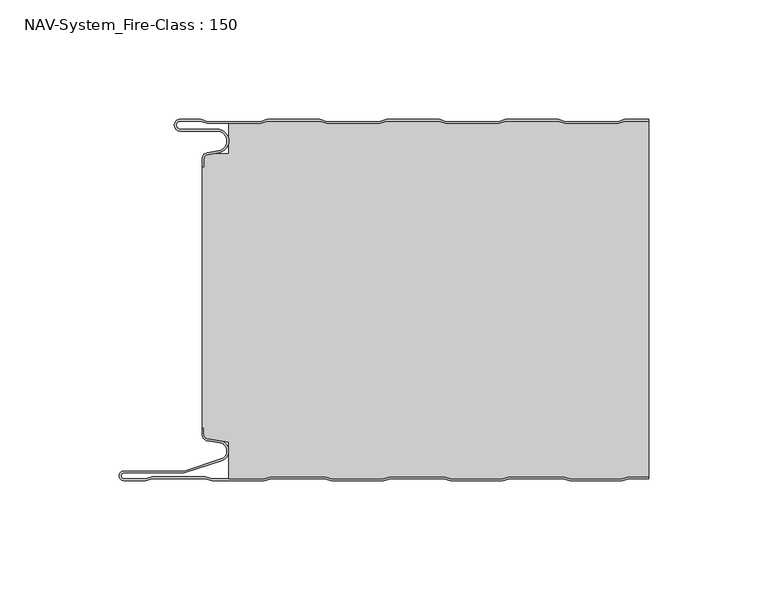
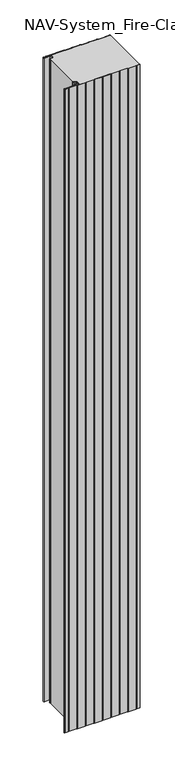
"""IFC4 building model written with IfcOpenShell, lengths in millimetres: plate geometry, NAV-System_Fire-Class : 150."""

from ifc_helpers import new_model, si_unit, frame, origin, place, context, project, spatial, polyline, circle_curve, source, transform, mapped, element, save
from ifc_brep_helpers import plane_surface, cylinder_surface, revolved_surface, advanced_brep


def nav_system_fire_class_150_6cf7bbdc(model_context):
    return source(origin(), model_context, "Body", "AdvancedBrep", [
        advanced_brep(
        [(-88.6298221, -0.8, 0.0), (-97.0000001, -0.8, 0.0), (-97.0000001, -4.1999999, 0.0), (-81.6002086, -4.1999999, 0.0), (-80.7423864, -14.0049502, 0.0), (-85.6125665, -14.8636946, 0.0), (-87.1000004, -16.6363494, 0.0), (-87.1000014, -19.9421291, 0.0), (-87.9000014, -19.9421291, 0.0), (-87.9000014, -16.6363484, 0.0), (-85.7514853, -14.0758488, 0.0), (-80.8813015, -13.217104, 0.0), (-81.600205, -4.9999999, 0.0), (-97.0000001, -4.9999999, 0.0), (-97.0000001, 0.0, 0.0), (-88.5, 0.0, 0.0), (-85.5, -1.0, 0.0), (-63.5, -1.0, 0.0), (-60.5, 0.0, 0.0), (-38.5, 0.0, 0.0), (-35.5, -1.0, 0.0), (-13.5, -1.0, 0.0), (-10.5, 0.0, 0.0), (11.5, 0.0, 0.0), (14.5, -1.0, 0.0), (36.5, -1.0, 0.0), (39.5, 0.0, 0.0), (61.5, 0.0, 0.0), (64.5, -1.0, 0.0), (86.5, -1.0, 0.0), (89.5, 0.0, 0.0), (99.5, 0.0, 0.0), (99.5, -0.8, 0.0), (89.6298221, -0.8, 0.0), (86.6298221, -1.8, 0.0), (64.3701779, -1.8, 0.0), (61.3701779, -0.8, 0.0), (39.6298221, -0.8, 0.0), (36.6298221, -1.8, 0.0), (14.3701779, -1.8, 0.0), (11.3701779, -0.8, 0.0), (-10.3701779, -0.8, 0.0), (-13.3701779, -1.8, 0.0), (-35.6298221, -1.8, 0.0), (-38.6298221, -0.8, 0.0), (-60.3701779, -0.8, 0.0), (-63.3701779, -1.8, 0.0), (-85.6298221, -1.8, 0.0), (-88.6298221, -0.8, 2000.0), (-85.6298221, -1.8, 2000.0), (-63.3701779, -1.8, 2000.0), (-60.3701779, -0.8, 2000.0), (-38.6298221, -0.8, 2000.0), (-35.6298221, -1.8, 2000.0), (-13.3701779, -1.8, 2000.0), (-10.3701779, -0.8, 2000.0), (11.3701779, -0.8, 2000.0), (14.3701779, -1.8, 2000.0), (36.6298221, -1.8, 2000.0), (39.6298221, -0.8, 2000.0), (61.3701779, -0.8, 2000.0), (64.3701779, -1.8, 2000.0), (86.6298221, -1.8, 2000.0), (89.6298221, -0.8, 2000.0), (99.5, -0.8, 2000.0), (99.5, 0.0, 2000.0), (89.5, 0.0, 2000.0), (86.5, -1.0, 2000.0), (64.5, -1.0, 2000.0), (61.5, 0.0, 2000.0), (39.5, 0.0, 2000.0), (36.5, -1.0, 2000.0), (14.5, -1.0, 2000.0), (11.5, 0.0, 2000.0), (-10.5, 0.0, 2000.0), (-13.5, -1.0, 2000.0), (-35.5, -1.0, 2000.0), (-38.5, 0.0, 2000.0), (-60.5, 0.0, 2000.0), (-63.5, -1.0, 2000.0), (-85.5, -1.0, 2000.0), (-88.5, 0.0, 2000.0), (-97.0000001, 0.0, 2000.0), (-97.0000001, -4.9999999, 2000.0), (-81.600205, -4.9999999, 2000.0), (-80.8813015, -13.217104, 2000.0), (-85.7514853, -14.0758488, 2000.0), (-87.8999997, -16.6363484, 2000.0), (-87.9000014, -19.9421291, 2000.0), (-87.1000014, -19.9421291, 2000.0), (-87.1000014, -16.6363494, 2000.0), (-85.6125665, -14.8636946, 2000.0), (-80.7423864, -14.0049502, 2000.0), (-81.6002086, -4.1999999, 2000.0), (-97.0000001, -4.1999999, 2000.0), (-97.0000001, -0.8000002, 2000.0)],
        [
            (0, 1),
            (1, 2, circle_curve(frame((-97.0000001, -2.5, 0.0), z_axis=(0.0, 0.0, 1.0), x_axis=(1.0, 0.0, 0.0)), 1.6999999)),
            (2, 3),
            (3, 4, circle_curve(frame((-81.6002086, -9.1399999, 0.0), z_axis=(0.0, 0.0, -1.0), x_axis=(1.0, 0.0, 0.0)), 4.94)),
            (4, 5),
            (5, 6, circle_curve(frame((-85.2999995, -16.6363494, 0.0), z_axis=(0.0, 0.0, 1.0), x_axis=(1.0, 0.0, 0.0)), 1.8000009)),
            (6, 7),
            (7, 8),
            (8, 9),
            (9, 10, circle_curve(frame((-85.3000002, -16.6363484, 0.0), z_axis=(0.0, 0.0, -1.0), x_axis=(1.0, 0.0, 0.0)), 2.5999995)),
            (10, 11),
            (11, 12, circle_curve(frame((-81.600205, -9.1399999, 0.0), z_axis=(0.0, 0.0, 1.0), x_axis=(1.0, 0.0, 0.0)), 4.14)),
            (12, 13),
            (13, 14, circle_curve(frame((-97.0000001, -2.4999999, 0.0), z_axis=(0.0, 0.0, -1.0), x_axis=(1.0, 0.0, 0.0)), 2.4999999)),
            (14, 15),
            (15, 16),
            (16, 17),
            (17, 18),
            (18, 19),
            (19, 20),
            (20, 21),
            (21, 22),
            (22, 23),
            (23, 24),
            (24, 25),
            (25, 26),
            (26, 27),
            (27, 28),
            (28, 29),
            (29, 30),
            (30, 31),
            (31, 32),
            (32, 33),
            (33, 34),
            (34, 35),
            (35, 36),
            (36, 37),
            (37, 38),
            (38, 39),
            (39, 40),
            (40, 41),
            (41, 42),
            (42, 43),
            (43, 44),
            (44, 45),
            (45, 46),
            (46, 47),
            (47, 0),
            (48, 49),
            (49, 50),
            (50, 51),
            (51, 52),
            (52, 53),
            (53, 54),
            (54, 55),
            (55, 56),
            (56, 57),
            (57, 58),
            (58, 59),
            (59, 60),
            (60, 61),
            (61, 62),
            (62, 63),
            (63, 64),
            (64, 65),
            (65, 66),
            (66, 67),
            (67, 68),
            (68, 69),
            (69, 70),
            (70, 71),
            (71, 72),
            (72, 73),
            (73, 74),
            (74, 75),
            (75, 76),
            (76, 77),
            (77, 78),
            (78, 79),
            (79, 80),
            (80, 81),
            (81, 82),
            (82, 83, circle_curve(frame((-97.0000001, -2.4999999, 2000.0), z_axis=(0.0, 0.0, 1.0), x_axis=(1.0, 0.0, 0.0)), 2.4999999)),
            (83, 84),
            (84, 85, circle_curve(frame((-81.600205, -9.1399999, 2000.0), z_axis=(0.0, 0.0, -1.0), x_axis=(1.0, 0.0, 0.0)), 4.14)),
            (85, 86),
            (86, 87, circle_curve(frame((-85.3000002, -16.6363484, 2000.0), z_axis=(0.0, 0.0, 1.0), x_axis=(1.0, 0.0, 0.0)), 2.5999995)),
            (87, 88),
            (88, 89),
            (89, 90),
            (90, 91, circle_curve(frame((-85.2999995, -16.6363494, 2000.0), z_axis=(0.0, 0.0, -1.0), x_axis=(1.0, 0.0, 0.0)), 1.8000009)),
            (91, 92),
            (92, 93, circle_curve(frame((-81.6002086, -9.1399999, 2000.0), z_axis=(0.0, 0.0, 1.0), x_axis=(1.0, 0.0, 0.0)), 4.94)),
            (93, 94),
            (94, 95, circle_curve(frame((-97.0000001, -2.5, 2000.0), z_axis=(0.0, 0.0, -1.0), x_axis=(1.0, 0.0, 0.0)), 1.6999999)),
            (95, 48),
            (0, 48),
            (95, 1),
            (14, 82),
            (81, 15),
            (63, 33),
            (32, 64),
            (62, 34),
            (61, 35),
            (60, 36),
            (59, 37),
            (58, 38),
            (57, 39),
            (56, 40),
            (55, 41),
            (54, 42),
            (53, 43),
            (52, 44),
            (51, 45),
            (50, 46),
            (49, 47),
            (80, 16),
            (79, 17),
            (78, 18),
            (77, 19),
            (76, 20),
            (75, 21),
            (74, 22),
            (73, 23),
            (72, 24),
            (71, 25),
            (70, 26),
            (69, 27),
            (68, 28),
            (67, 29),
            (66, 30),
            (65, 31),
            (2, 94),
            (93, 3),
            (6, 90),
            (89, 7),
            (88, 8),
            (87, 9),
            (12, 84),
            (83, 13),
            (92, 4),
            (91, 5),
            (86, 10),
            (85, 11),
        ],
        [
            plane_surface(frame((-99.5, 0.0, 0.0), z_axis=(0.0, 0.0, -1.0), x_axis=(0.0, -1.0, 0.0))),
            plane_surface(frame((-99.5, 0.0, 2000.0), z_axis=(0.0, 0.0, 1.0), x_axis=(0.0, -1.0, 0.0))),
            plane_surface(frame((-88.6298221, -0.8, 0.0), z_axis=(0.0, -1.0, 0.0), x_axis=(0.0, 0.0, 1.0))),
            plane_surface(frame((-97.0000001, 0.0, 0.0), z_axis=(0.0, 1.0, 0.0), x_axis=(0.0, 0.0, 1.0))),
            plane_surface(frame((111.3701779, -0.8, 0.0), z_axis=(0.0, -1.0, 0.0), x_axis=(0.0, 0.0, 1.0))),
            plane_surface(frame((89.6298221, -0.8, 0.0), z_axis=(0.3162277660167413, -0.9486832980505461, 0.0), x_axis=(0.0, 0.0, 1.0))),
            plane_surface(frame((86.6298221, -1.8, 0.0), z_axis=(0.0, -1.0, 0.0), x_axis=(0.0, 0.0, 1.0))),
            plane_surface(frame((64.3701779, -1.8, 0.0), z_axis=(-0.31622776601675356, -0.948683298050542, 0.0), x_axis=(0.0, 0.0, 1.0))),
            plane_surface(frame((61.3701779, -0.8, 0.0), z_axis=(0.0, -1.0, 0.0), x_axis=(0.0, 0.0, 1.0))),
            plane_surface(frame((39.6298221, -0.8, 0.0), z_axis=(0.31622776601679226, -0.9486832980505291, 0.0), x_axis=(0.0, 0.0, 1.0))),
            plane_surface(frame((36.6298221, -1.8, 0.0), z_axis=(0.0, -1.0, 0.0), x_axis=(0.0, 0.0, 1.0))),
            plane_surface(frame((14.3701779, -1.8, 0.0), z_axis=(-0.3162277660168045, -0.948683298050525, 0.0), x_axis=(0.0, 0.0, 1.0))),
            plane_surface(frame((11.3701779, -0.8, 0.0), z_axis=(0.0, -1.0, 0.0), x_axis=(0.0, 0.0, 1.0))),
            plane_surface(frame((-10.3701779, -0.8, 0.0), z_axis=(0.31622776601679226, -0.9486832980505291, 0.0), x_axis=(0.0, 0.0, 1.0))),
            plane_surface(frame((-13.3701779, -1.8, 0.0), z_axis=(0.0, -1.0, 0.0), x_axis=(0.0, 0.0, 1.0))),
            plane_surface(frame((-35.6298221, -1.8, 0.0), z_axis=(-0.3162277660168045, -0.948683298050525, 0.0), x_axis=(0.0, 0.0, 1.0))),
            plane_surface(frame((-38.6298221, -0.8, 0.0), z_axis=(0.0, -1.0, 0.0), x_axis=(0.0, 0.0, 1.0))),
            plane_surface(frame((-60.3701779, -0.8, 0.0), z_axis=(0.3162277660167413, -0.9486832980505461, 0.0), x_axis=(0.0, 0.0, 1.0))),
            plane_surface(frame((-63.3701779, -1.8, 0.0), z_axis=(0.0, -1.0, 0.0), x_axis=(0.0, 0.0, 1.0))),
            plane_surface(frame((-85.6298221, -1.8, 0.0), z_axis=(-0.3162277660167413, -0.9486832980505461, 0.0), x_axis=(0.0, 0.0, 1.0))),
            plane_surface(frame((-88.5, 0.0, 0.0), z_axis=(0.31622776601671865, 0.9486832980505536, 0.0), x_axis=(0.0, 0.0, 1.0))),
            plane_surface(frame((-85.5, -1.0, 0.0), z_axis=(0.0, 1.0, 0.0), x_axis=(0.0, 0.0, 1.0))),
            plane_surface(frame((-63.5, -1.0, 0.0), z_axis=(-0.31622776601671865, 0.9486832980505536, 0.0), x_axis=(0.0, 0.0, 1.0))),
            plane_surface(frame((-60.5, 0.0, 0.0), z_axis=(0.0, 1.0, 0.0), x_axis=(0.0, 0.0, 1.0))),
            plane_surface(frame((-38.5, 0.0, 0.0), z_axis=(0.31622776601678754, 0.9486832980505306, 0.0), x_axis=(0.0, 0.0, 1.0))),
            plane_surface(frame((-35.5, -1.0, 0.0), z_axis=(0.0, 1.0, 0.0), x_axis=(0.0, 0.0, 1.0))),
            plane_surface(frame((-13.5, -1.0, 0.0), z_axis=(-0.3162277660167752, 0.9486832980505348, 0.0), x_axis=(0.0, 0.0, 1.0))),
            plane_surface(frame((-10.5, 0.0, 0.0), z_axis=(0.0, 1.0, 0.0), x_axis=(0.0, 0.0, 1.0))),
            plane_surface(frame((11.5, 0.0, 0.0), z_axis=(0.31622776601678754, 0.9486832980505306, 0.0), x_axis=(0.0, 0.0, 1.0))),
            plane_surface(frame((14.5, -1.0, 0.0), z_axis=(0.0, 1.0, 0.0), x_axis=(0.0, 0.0, 1.0))),
            plane_surface(frame((36.5, -1.0, 0.0), z_axis=(-0.3162277660167752, 0.9486832980505348, 0.0), x_axis=(0.0, 0.0, 1.0))),
            plane_surface(frame((39.5, 0.0, 0.0), z_axis=(0.0, 1.0, 0.0), x_axis=(0.0, 0.0, 1.0))),
            plane_surface(frame((61.5, 0.0, 0.0), z_axis=(0.3162277660167309, 0.9486832980505495, 0.0), x_axis=(0.0, 0.0, 1.0))),
            plane_surface(frame((64.5, -1.0, 0.0), z_axis=(0.0, 1.0, 0.0), x_axis=(0.0, 0.0, 1.0))),
            plane_surface(frame((86.5, -1.0, 0.0), z_axis=(-0.31622776601671865, 0.9486832980505536, 0.0), x_axis=(0.0, 0.0, 1.0))),
            plane_surface(frame((89.5, 0.0, 0.0), z_axis=(0.0, 1.0, 0.0), x_axis=(0.0, 0.0, 1.0))),
            plane_surface(frame((-97.0000001, -4.1999999, 0.0), z_axis=(0.0, 1.0, 0.0), x_axis=(0.0, 0.0, 1.0))),
            plane_surface(frame((-87.1000014, -16.6363494, 0.0), z_axis=(1.0, 0.0, 0.0), x_axis=(0.0, 0.0, 1.0))),
            plane_surface(frame((-87.1000014, -19.9421291, 0.0), z_axis=(0.0, -1.0, 0.0), x_axis=(0.0, 0.0, 1.0))),
            plane_surface(frame((-87.9000014, -19.9421291, 0.0), z_axis=(-1.0, 0.0, 0.0), x_axis=(0.0, 0.0, 1.0))),
            plane_surface(frame((-81.600205, -4.9999999, 0.0), z_axis=(0.0, -1.0, 0.0), x_axis=(0.0, 0.0, 1.0))),
            revolved_surface(polyline([(-95.3000002, -2.5, 2000.0), (-95.3000002, -2.5, 0.0)]), (-97.0000001, -2.5, 0.0), (0.0, 0.0, 1.0)),
            cylinder_surface(frame((-81.6002086, -9.1399999, 0.0), z_axis=(0.0, 0.0, -1.0), x_axis=(1.0, 0.0, 0.0)), 4.94),
            plane_surface(frame((-80.7423864, -14.0049502, 0.0), z_axis=(0.17364822279076972, -0.9848077450556567, 0.0), x_axis=(0.0, 0.0, 1.0))),
            revolved_surface(polyline([(-83.4999986, -16.6363494, 2000.0), (-83.4999986, -16.6363494, 0.0)]), (-85.2999995, -16.6363494, 0.0), (0.0, 0.0, 1.0)),
            cylinder_surface(frame((-85.3000002, -16.6363484, 0.0), z_axis=(0.0, 0.0, -1.0), x_axis=(1.0, 0.0, 0.0)), 2.5999995),
            plane_surface(frame((-85.7514853, -14.0758488, 0.0), z_axis=(-0.17364817295915452, 0.984807753842316, 0.0), x_axis=(0.0, 0.0, 1.0))),
            revolved_surface(polyline([(-77.460205, -9.1399999, 2000.0), (-77.460205, -9.1399999, 0.0)]), (-81.600205, -9.1399999, 0.0), (0.0, 0.0, 1.0)),
            cylinder_surface(frame((-97.0000001, -2.4999999, 0.0), z_axis=(0.0, 0.0, -1.0), x_axis=(1.0, 0.0, 0.0)), 2.4999999),
            plane_surface(frame((99.5, 100.0, 2000.0), z_axis=(1.0, 0.0, 0.0), x_axis=(0.0, 0.0, -1.0))),
        ],
        [
            (0, [[1, 2, 3, 4, 5, 6, 7, 8, 9, 10, 11, 12, 13, 14, 15, 16, 17, 18, 19, 20, 21, 22, 23, 24, 25, 26, 27, 28, 29, 30, 31, 32, 33, 34, 35, 36, 37, 38, 39, 40, 41, 42, 43, 44, 45, 46, 47, 48]]),
            (1, [[49, 50, 51, 52, 53, 54, 55, 56, 57, 58, 59, 60, 61, 62, 63, 64, 65, 66, 67, 68, 69, 70, 71, 72, 73, 74, 75, 76, 77, 78, 79, 80, 81, 82, 83, 84, 85, 86, 87, 88, 89, 90, 91, 92, 93, 94, 95, 96]]),
            (2, [[-1, 97, -96, 98]]),
            (3, [[-15, 99, -82, 100]]),
            (4, [[101, -33, 102, -64]]),
            (5, [[-34, -101, -63, 103]]),
            (6, [[-35, -103, -62, 104]]),
            (7, [[-36, -104, -61, 105]]),
            (8, [[-37, -105, -60, 106]]),
            (9, [[-38, -106, -59, 107]]),
            (10, [[-39, -107, -58, 108]]),
            (11, [[-40, -108, -57, 109]]),
            (12, [[-41, -109, -56, 110]]),
            (13, [[-42, -110, -55, 111]]),
            (14, [[-43, -111, -54, 112]]),
            (15, [[-44, -112, -53, 113]]),
            (16, [[-45, -113, -52, 114]]),
            (17, [[-46, -114, -51, 115]]),
            (18, [[-47, -115, -50, 116]]),
            (19, [[-48, -116, -49, -97]]),
            (20, [[-16, -100, -81, 117]]),
            (21, [[-17, -117, -80, 118]]),
            (22, [[-18, -118, -79, 119]]),
            (23, [[-19, -119, -78, 120]]),
            (24, [[-20, -120, -77, 121]]),
            (25, [[-21, -121, -76, 122]]),
            (26, [[-22, -122, -75, 123]]),
            (27, [[-23, -123, -74, 124]]),
            (28, [[-24, -124, -73, 125]]),
            (29, [[-25, -125, -72, 126]]),
            (30, [[-26, -126, -71, 127]]),
            (31, [[-27, -127, -70, 128]]),
            (32, [[-28, -128, -69, 129]]),
            (33, [[-29, -129, -68, 130]]),
            (34, [[-30, -130, -67, 131]]),
            (35, [[-131, -66, 132, -31]]),
            (36, [[-3, 133, -94, 134]]),
            (37, [[-7, 135, -90, 136]]),
            (38, [[-8, -136, -89, 137]]),
            (39, [[-9, -137, -88, 138]]),
            (40, [[-13, 139, -84, 140]]),
            (41, [[-2, -98, -95, -133]]),
            (42, [[-4, -134, -93, 141]]),
            (43, [[-5, -141, -92, 142]]),
            (44, [[-6, -142, -91, -135]]),
            (45, [[-10, -138, -87, 143]]),
            (46, [[-11, -143, -86, 144]]),
            (47, [[-12, -144, -85, -139]]),
            (48, [[-14, -140, -83, -99]]),
            (49, [[-32, -132, -65, -102]]),
        ],
    ),
        advanced_brep(
        [(89.6181262, -0.8, 2000.0), (86.6181262, -1.8, 2000.0), (64.3584819, -1.8, 2000.0), (61.3584819, -0.8, 2000.0), (39.6181262, -0.8, 2000.0), (36.6181262, -1.8, 2000.0), (14.3584819, -1.8, 2000.0), (11.3584819, -0.8, 2000.0), (-10.3818738, -0.8, 2000.0), (-13.3818738, -1.8, 2000.0), (-35.6415181, -1.8, 2000.0), (-38.6415181, -0.8, 2000.0), (-60.3818738, -0.8, 2000.0), (-63.3818738, -1.8, 2000.0), (-76.6719045, -1.8, 2000.0), (-76.6719045, -14.4343223, 2000.0), (-83.1891722, -14.4343223, 2000.0), (-85.6242625, -14.8636946, 2000.0), (-87.1116964, -16.636349, 2000.0), (-87.1116974, -19.9512003, 2000.0), (-87.9116974, -19.9512003, 2000.0), (-87.9116974, -129.3983656, 2000.0), (-87.1116974, -129.3983656, 2000.0), (-87.1116974, -132.1656409, 2000.0), (-85.4245663, -134.1410176, 2000.0), (-76.6248082, -135.5347623, 2000.0), (-76.6248082, -150.8, 2000.0), (-61.8218295, -150.8, 2000.0), (-58.7610803, -150.0, 2000.0), (-36.5891849, -150.0, 2000.0), (-33.5284357, -150.8, 2000.0), (-11.8218295, -150.8, 2000.0), (-8.7610803, -150.0, 2000.0), (13.4108151, -150.0, 2000.0), (16.4715643, -150.8, 2000.0), (38.1904, -150.8, 2000.0), (41.2511493, -150.0, 2000.0), (63.4108151, -150.0, 2000.0), (66.4715643, -150.8, 2000.0), (88.1781705, -150.8, 2000.0), (91.2389197, -150.0, 2000.0), (99.5, -150.0, 2000.0), (99.5, -0.8, 2000.0), (91.2389197, -150.0, 0.0), (88.1781705, -150.8, 0.0), (66.4715643, -150.8, 0.0), (63.4108151, -150.0, 0.0), (41.2511493, -150.0, 0.0), (38.1904, -150.8, 0.0), (16.4715643, -150.8, 0.0), (13.4108151, -150.0, 0.0), (-8.7610803, -150.0, 0.0), (-11.8218295, -150.8, 0.0), (-33.5284357, -150.8, 0.0), (-36.5891849, -150.0, 0.0), (-58.7610803, -150.0, 0.0), (-61.8218295, -150.8, 0.0), (-76.6248082, -150.8, 0.0), (-76.6248082, -135.5347623, 0.0), (-85.4245663, -134.1410176, 0.0), (-87.1116974, -132.1656409, 0.0), (-87.1116974, -129.3983656, 0.0), (-87.9116974, -129.3983656, 0.0), (-87.9116974, -19.9512003, 0.0), (-87.1116974, -19.9512003, 0.0), (-87.1116974, -16.636349, 0.0), (-85.6242625, -14.8636946, 0.0), (-83.1891722, -14.4343223, 0.0), (-76.6719045, -14.4343223, 0.0), (-76.6719045, -1.8, 0.0), (-63.3818738, -1.8, 0.0), (-60.3818738, -0.8, 0.0), (-38.6415181, -0.8, 0.0), (-35.6415181, -1.8, 0.0), (-13.3818738, -1.8, 0.0), (-10.3818738, -0.8, 0.0), (11.3584819, -0.8, 0.0), (14.3584819, -1.8, 0.0), (36.6181262, -1.8, 0.0), (39.6181262, -0.8, 0.0), (61.3584819, -0.8, 0.0), (64.3584819, -1.8, 0.0), (86.6181262, -1.8, 0.0), (89.6181262, -0.8, 0.0), (99.5, -0.8, 0.0), (99.5, -150.0, 0.0)],
        [
            (0, 1),
            (1, 2),
            (2, 3),
            (3, 4),
            (4, 5),
            (5, 6),
            (6, 7),
            (7, 8),
            (8, 9),
            (9, 10),
            (10, 11),
            (11, 12),
            (12, 13),
            (13, 14),
            (14, 15),
            (15, 16),
            (16, 17),
            (17, 18, circle_curve(frame((-85.3116955, -16.6363494, 2000.0), z_axis=(0.0, 0.0, 1.0), x_axis=(1.0, 0.0, 0.0)), 1.8000009)),
            (18, 19),
            (19, 20),
            (20, 21),
            (21, 22),
            (22, 23),
            (23, 24, circle_curve(frame((-85.1116974, -132.1656409, 2000.0), z_axis=(0.0, 0.0, 1.0), x_axis=(1.0, 0.0, 0.0)), 2.0)),
            (24, 25),
            (25, 26),
            (26, 27),
            (27, 28),
            (28, 29),
            (29, 30),
            (30, 31),
            (31, 32),
            (32, 33),
            (33, 34),
            (34, 35),
            (35, 36),
            (36, 37),
            (37, 38),
            (38, 39),
            (39, 40),
            (40, 41),
            (41, 42),
            (42, 0),
            (43, 44),
            (44, 45),
            (45, 46),
            (46, 47),
            (47, 48),
            (48, 49),
            (49, 50),
            (50, 51),
            (51, 52),
            (52, 53),
            (53, 54),
            (54, 55),
            (55, 56),
            (56, 57),
            (57, 58),
            (58, 59),
            (59, 60, circle_curve(frame((-85.1116974, -132.1656409, 0.0), z_axis=(0.0, 0.0, -1.0), x_axis=(1.0, 0.0, 0.0)), 2.0)),
            (60, 61),
            (61, 62),
            (62, 63),
            (63, 64),
            (64, 65),
            (65, 66, circle_curve(frame((-85.3116955, -16.6363494, 0.0), z_axis=(0.0, 0.0, -1.0), x_axis=(1.0, 0.0, 0.0)), 1.8000009)),
            (66, 67),
            (67, 68),
            (68, 69),
            (69, 70),
            (70, 71),
            (71, 72),
            (72, 73),
            (73, 74),
            (74, 75),
            (75, 76),
            (76, 77),
            (77, 78),
            (78, 79),
            (79, 80),
            (80, 81),
            (81, 82),
            (82, 83),
            (83, 84),
            (84, 85),
            (85, 43),
            (83, 0),
            (42, 84),
            (82, 1),
            (81, 2),
            (80, 3),
            (79, 4),
            (78, 5),
            (77, 6),
            (76, 7),
            (75, 8),
            (74, 9),
            (73, 10),
            (72, 11),
            (71, 12),
            (70, 13),
            (69, 14),
            (68, 15),
            (67, 16),
            (66, 17),
            (65, 18),
            (64, 19),
            (63, 20),
            (62, 21),
            (61, 22),
            (60, 23),
            (59, 24),
            (58, 25),
            (57, 26),
            (56, 27),
            (55, 28),
            (54, 29),
            (53, 30),
            (52, 31),
            (51, 32),
            (50, 33),
            (49, 34),
            (48, 35),
            (47, 36),
            (46, 37),
            (45, 38),
            (44, 39),
            (43, 40),
            (85, 41),
        ],
        [
            plane_surface(frame((-99.5, 0.0, 2000.0), z_axis=(0.0, 0.0, 1.0), x_axis=(0.0, -1.0, 0.0))),
            plane_surface(frame((-99.5, 0.0, 0.0), z_axis=(0.0, 0.0, -1.0), x_axis=(0.0, -1.0, 0.0))),
            plane_surface(frame((111.3584819, -0.8, 2000.0), z_axis=(0.0, 1.0, 0.0), x_axis=(0.0, 0.0, -1.0))),
            plane_surface(frame((89.6181262, -0.8, 2000.0), z_axis=(-0.31622776601684405, 0.9486832980505119, 0.0), x_axis=(0.0, 0.0, -1.0))),
            plane_surface(frame((86.6181262, -1.8, 2000.0), z_axis=(0.0, 1.0, 0.0), x_axis=(0.0, 0.0, -1.0))),
            plane_surface(frame((64.3584819, -1.8, 2000.0), z_axis=(0.3162277660164755, 0.9486832980506347, 0.0), x_axis=(0.0, 0.0, -1.0))),
            plane_surface(frame((61.3584819, -0.8, 2000.0), z_axis=(0.0, 1.0, 0.0), x_axis=(0.0, 0.0, -1.0))),
            plane_surface(frame((39.6181262, -0.8, 2000.0), z_axis=(-0.3162277660169692, 0.94868329805047, 0.0), x_axis=(0.0, 0.0, -1.0))),
            plane_surface(frame((36.6181262, -1.8, 2000.0), z_axis=(0.0, 1.0, 0.0), x_axis=(0.0, 0.0, -1.0))),
            plane_surface(frame((14.3584819, -1.8, 2000.0), z_axis=(0.31622776601655256, 0.948683298050609, 0.0), x_axis=(0.0, 0.0, -1.0))),
            plane_surface(frame((11.3584819, -0.8, 2000.0), z_axis=(0.0, 1.0, 0.0), x_axis=(0.0, 0.0, -1.0))),
            plane_surface(frame((-10.3818738, -0.8, 2000.0), z_axis=(-0.31622776601696284, 0.9486832980504722, 0.0), x_axis=(0.0, 0.0, -1.0))),
            plane_surface(frame((-13.3818738, -1.8, 2000.0), z_axis=(0.0, 1.0, 0.0), x_axis=(0.0, 0.0, -1.0))),
            plane_surface(frame((-35.6415181, -1.8, 2000.0), z_axis=(0.31622776601661995, 0.9486832980505865, 0.0), x_axis=(0.0, 0.0, -1.0))),
            plane_surface(frame((-38.6415181, -0.8, 2000.0), z_axis=(0.0, 1.0, 0.0), x_axis=(0.0, 0.0, -1.0))),
            plane_surface(frame((-60.3818738, -0.8, 2000.0), z_axis=(-0.3162277660168055, 0.9486832980505246, 0.0), x_axis=(0.0, 0.0, -1.0))),
            plane_surface(frame((-63.3818738, -1.8, 2000.0), z_axis=(0.0, 1.0, 0.0), x_axis=(0.0, 0.0, -1.0))),
            plane_surface(frame((-76.6719045, -1.8, 2000.0), z_axis=(-1.0, 0.0, 0.0), x_axis=(0.0, 0.0, -1.0))),
            plane_surface(frame((-76.6719045, -14.4343223, 2000.0), z_axis=(0.0, 1.0, 0.0), x_axis=(0.0, 0.0, -1.0))),
            plane_surface(frame((-83.1891722, -14.4343223, 2000.0), z_axis=(-0.17364822279077605, 0.9848077450556556, 0.0), x_axis=(0.0, 0.0, -1.0))),
            cylinder_surface(frame((-85.3116955, -16.6363494, 2000.0), z_axis=(0.0, 0.0, 1.0), x_axis=(1.0, 0.0, 0.0)), 1.8000009),
            plane_surface(frame((-87.1116974, -16.636349, 2000.0), z_axis=(-1.0, 0.0, 0.0), x_axis=(0.0, 0.0, -1.0))),
            plane_surface(frame((-87.1116974, -19.9512003, 2000.0), z_axis=(0.0, 1.0, 0.0), x_axis=(0.0, 0.0, -1.0))),
            plane_surface(frame((-87.9116974, -19.9512003, 2000.0), z_axis=(-1.0, 0.0, 0.0), x_axis=(0.0, 0.0, -1.0))),
            plane_surface(frame((-87.9116974, -129.3983656, 2000.0), z_axis=(0.0, -1.0, 0.0), x_axis=(0.0, 0.0, -1.0))),
            plane_surface(frame((-87.1116974, -129.3983656, 2000.0), z_axis=(-1.0, 0.0, 0.0), x_axis=(0.0, 0.0, -1.0))),
            cylinder_surface(frame((-85.1116974, -132.1656409, 2000.0), z_axis=(0.0, 0.0, 1.0), x_axis=(1.0, 0.0, 0.0)), 2.0),
            plane_surface(frame((-85.4245663, -134.1410176, 2000.0), z_axis=(-0.15643446503999625, -0.987688340595175, 0.0), x_axis=(0.0, 0.0, -1.0))),
            plane_surface(frame((-76.6248082, -135.5347623, 2000.0), z_axis=(-1.0, 0.0, 0.0), x_axis=(0.0, 0.0, -1.0))),
            plane_surface(frame((-76.6248082, -150.8, 2000.0), z_axis=(0.0, -1.0, 0.0), x_axis=(0.0, 0.0, -1.0))),
            plane_surface(frame((-61.8218295, -150.8, 2000.0), z_axis=(0.2528787310081783, -0.9674979831522613, 0.0), x_axis=(0.0, 0.0, -1.0))),
            plane_surface(frame((-58.7610803, -150.0, 2000.0), z_axis=(0.0, -1.0, 0.0), x_axis=(0.0, 0.0, -1.0))),
            plane_surface(frame((-36.5891849, -150.0, 2000.0), z_axis=(-0.25287873100938985, -0.9674979831519447, 0.0), x_axis=(0.0, 0.0, -1.0))),
            plane_surface(frame((-33.5284357, -150.8, 2000.0), z_axis=(0.0, -1.0, 0.0), x_axis=(0.0, 0.0, -1.0))),
            plane_surface(frame((-11.8218295, -150.8, 2000.0), z_axis=(0.2528787310082863, -0.9674979831522332, 0.0), x_axis=(0.0, 0.0, -1.0))),
            plane_surface(frame((-8.7610803, -150.0, 2000.0), z_axis=(0.0, -1.0, 0.0), x_axis=(0.0, 0.0, -1.0))),
            plane_surface(frame((13.4108151, -150.0, 2000.0), z_axis=(-0.25287873100843145, -0.9674979831521953, 0.0), x_axis=(0.0, 0.0, -1.0))),
            plane_surface(frame((16.4715643, -150.8, 2000.0), z_axis=(0.0, -1.0, 0.0), x_axis=(0.0, 0.0, -1.0))),
            plane_surface(frame((38.1904, -150.8, 2000.0), z_axis=(0.2528787310081133, -0.9674979831522784, 0.0), x_axis=(0.0, 0.0, -1.0))),
            plane_surface(frame((41.2511493, -150.0, 2000.0), z_axis=(0.0, -1.0, 0.0), x_axis=(0.0, 0.0, -1.0))),
            plane_surface(frame((63.4108151, -150.0, 2000.0), z_axis=(-0.25287873100834907, -0.9674979831522168, 0.0), x_axis=(0.0, 0.0, -1.0))),
            plane_surface(frame((66.4715643, -150.8, 2000.0), z_axis=(0.0, -1.0, 0.0), x_axis=(0.0, 0.0, -1.0))),
            plane_surface(frame((88.1781705, -150.8, 2000.0), z_axis=(0.2528787310082685, -0.9674979831522379, 0.0), x_axis=(0.0, 0.0, -1.0))),
            plane_surface(frame((91.2389197, -150.0, 2000.0), z_axis=(0.0, -1.0, 0.0), x_axis=(0.0, 0.0, -1.0))),
            plane_surface(frame((99.5, 100.0, 2000.0), z_axis=(1.0, 0.0, 0.0), x_axis=(0.0, 0.0, -1.0))),
        ],
        [
            (0, [[1, 2, 3, 4, 5, 6, 7, 8, 9, 10, 11, 12, 13, 14, 15, 16, 17, 18, 19, 20, 21, 22, 23, 24, 25, 26, 27, 28, 29, 30, 31, 32, 33, 34, 35, 36, 37, 38, 39, 40, 41, 42, 43]]),
            (1, [[44, 45, 46, 47, 48, 49, 50, 51, 52, 53, 54, 55, 56, 57, 58, 59, 60, 61, 62, 63, 64, 65, 66, 67, 68, 69, 70, 71, 72, 73, 74, 75, 76, 77, 78, 79, 80, 81, 82, 83, 84, 85, 86]]),
            (2, [[87, -43, 88, -84]]),
            (3, [[-1, -87, -83, 89]]),
            (4, [[-2, -89, -82, 90]]),
            (5, [[-3, -90, -81, 91]]),
            (6, [[-4, -91, -80, 92]]),
            (7, [[-5, -92, -79, 93]]),
            (8, [[-6, -93, -78, 94]]),
            (9, [[-7, -94, -77, 95]]),
            (10, [[-8, -95, -76, 96]]),
            (11, [[-9, -96, -75, 97]]),
            (12, [[-10, -97, -74, 98]]),
            (13, [[-11, -98, -73, 99]]),
            (14, [[-12, -99, -72, 100]]),
            (15, [[-13, -100, -71, 101]]),
            (16, [[-14, -101, -70, 102]]),
            (17, [[-15, -102, -69, 103]]),
            (18, [[-16, -103, -68, 104]]),
            (19, [[-17, -104, -67, 105]]),
            (20, [[-18, -105, -66, 106]]),
            (21, [[-19, -106, -65, 107]]),
            (22, [[-20, -107, -64, 108]]),
            (23, [[-21, -108, -63, 109]]),
            (24, [[-22, -109, -62, 110]]),
            (25, [[-23, -110, -61, 111]]),
            (26, [[-24, -111, -60, 112]]),
            (27, [[-25, -112, -59, 113]]),
            (28, [[-26, -113, -58, 114]]),
            (29, [[-27, -114, -57, 115]]),
            (30, [[-28, -115, -56, 116]]),
            (31, [[-29, -116, -55, 117]]),
            (32, [[-30, -117, -54, 118]]),
            (33, [[-31, -118, -53, 119]]),
            (34, [[-32, -119, -52, 120]]),
            (35, [[-33, -120, -51, 121]]),
            (36, [[-34, -121, -50, 122]]),
            (37, [[-35, -122, -49, 123]]),
            (38, [[-36, -123, -48, 124]]),
            (39, [[-37, -124, -47, 125]]),
            (40, [[-38, -125, -46, 126]]),
            (41, [[-39, -126, -45, 127]]),
            (42, [[-40, -127, -44, 128]]),
            (43, [[-128, -86, 129, -41]]),
            (44, [[-42, -129, -85, -88]]),
        ],
    ),
        advanced_brep(
        [(91.239397, -150.0, 2000.0), (88.1786477, -150.8, 2000.0), (66.4720416, -150.8, 2000.0), (63.4112923, -150.0, 2000.0), (41.2516265, -150.0, 2000.0), (38.1908772, -150.8, 2000.0), (16.4720416, -150.8, 2000.0), (13.4112923, -150.0, 2000.0), (-8.760603, -150.0, 2000.0), (-11.8213523, -150.8, 2000.0), (-33.5279584, -150.8, 2000.0), (-36.5887077, -150.0, 2000.0), (-58.760603, -150.0, 2000.0), (-61.8213523, -150.8, 2000.0), (-83.5279584, -150.8, 2000.0), (-86.5887077, -150.0, 2000.0), (-108.760603, -150.0, 2000.0), (-111.8190206, -150.7993906, 2000.0), (-120.7154182, -150.7993906, 2000.0), (-120.6771783, -148.4000003, 2000.0), (-95.3414726, -148.4000003, 2000.0), (-79.6231923, -143.2926893, 2000.0), (-80.2358126, -134.9629887, 2000.0), (-85.4240891, -134.1412465, 2000.0), (-87.1112201, -132.1658698, 2000.0), (-87.1112201, -129.3985945, 2000.0), (-87.9112201, -129.3985945, 2000.0), (-87.9112201, -132.1658698, 2000.0), (-85.5140582, -134.93674, 2000.0), (-80.4044746, -135.7460185, 2000.0), (-79.8704103, -142.5316172, 2000.0), (-95.4681798, -147.6000003, 2000.0), (-120.6771783, -147.6000003, 2000.0), (-120.726556, -151.5993906, 2000.0), (-111.7161981, -151.5993906, 2000.0), (-108.6577806, -150.8, 2000.0), (-86.6915302, -150.8, 2000.0), (-83.6307809, -151.6, 2000.0), (-61.7185298, -151.6, 2000.0), (-58.6577806, -150.8, 2000.0), (-36.6915302, -150.8, 2000.0), (-33.6307809, -151.6, 2000.0), (-11.7185298, -151.6, 2000.0), (-8.6577806, -150.8, 2000.0), (13.3084698, -150.8, 2000.0), (16.3692191, -151.6, 2000.0), (38.2936997, -151.6, 2000.0), (41.354449, -150.8, 2000.0), (63.3084698, -150.8, 2000.0), (66.3692191, -151.6, 2000.0), (88.2814702, -151.6, 2000.0), (91.3422194, -150.8, 2000.0), (99.5, -150.8, 2000.0), (99.5, -150.0, 2000.0), (91.3422194, -150.8, 0.0), (88.2814702, -151.6, 0.0), (66.3692191, -151.6, 0.0), (63.3084698, -150.8, 0.0), (41.354449, -150.8, 0.0), (38.2936997, -151.6, 0.0), (16.3692191, -151.6, 0.0), (13.3084698, -150.8, 0.0), (-8.6577806, -150.8, 0.0), (-11.7185298, -151.6, 0.0), (-33.6307809, -151.6, 0.0), (-36.6915302, -150.8, 0.0), (-58.6577806, -150.8, 0.0), (-61.7185298, -151.6, 0.0), (-83.6307809, -151.6, 0.0), (-86.6915302, -150.8, 0.0), (-108.6577806, -150.8, 0.0), (-111.7161981, -151.5993906, 0.0), (-120.726556, -151.5993906, 0.0), (-120.6771783, -147.6000003, 0.0), (-95.4681798, -147.6000003, 0.0), (-79.8704103, -142.5318461, 0.0), (-80.4044746, -135.7460185, 0.0), (-85.5140582, -134.93674, 0.0), (-87.9112201, -132.1658698, 0.0), (-87.9112201, -129.3985945, 0.0), (-87.1112201, -129.3985945, 0.0), (-87.1112201, -132.1658698, 0.0), (-85.4240891, -134.1412465, 0.0), (-80.2358126, -134.9629887, 0.0), (-79.6231923, -143.2924604, 0.0), (-95.3414726, -148.4000003, 0.0), (-120.6771783, -148.4000003, 0.0), (-120.7154182, -150.7993906, 0.0), (-111.8190206, -150.7993906, 0.0), (-108.760603, -150.0, 0.0), (-86.5887077, -150.0, 0.0), (-83.5279584, -150.8, 0.0), (-61.8213523, -150.8, 0.0), (-58.760603, -150.0, 0.0), (-36.5887077, -150.0, 0.0), (-33.5279584, -150.8, 0.0), (-11.8213523, -150.8, 0.0), (-8.760603, -150.0, 0.0), (13.4112923, -150.0, 0.0), (16.4720416, -150.8, 0.0), (38.1908772, -150.8, 0.0), (41.2516265, -150.0, 0.0), (63.4112923, -150.0, 0.0), (66.4720416, -150.8, 0.0), (88.1786477, -150.8, 0.0), (91.239397, -150.0, 0.0), (99.5, -150.0, 0.0), (99.5, -150.8, 0.0)],
        [
            (0, 1),
            (1, 2),
            (2, 3),
            (3, 4),
            (4, 5),
            (5, 6),
            (6, 7),
            (7, 8),
            (8, 9),
            (9, 10),
            (10, 11),
            (11, 12),
            (12, 13),
            (13, 14),
            (14, 15),
            (15, 16),
            (16, 17),
            (17, 18),
            (18, 19, circle_curve(frame((-120.6771783, -149.6000001, 2000.0), z_axis=(0.0, 0.0, -1.0), x_axis=(1.0, 0.0, 0.0)), 1.1999999)),
            (19, 20),
            (20, 21),
            (21, 22, circle_curve(frame((-80.9519964, -139.2029275, 2000.0), z_axis=(0.0, 0.0, 1.0), x_axis=(1.0, 0.0, 0.0)), 4.3)),
            (22, 23),
            (23, 24, circle_curve(frame((-85.1112201, -132.1658698, 2000.0), z_axis=(0.0, 0.0, -1.0), x_axis=(1.0, 0.0, 0.0)), 2.0)),
            (24, 25),
            (25, 26),
            (26, 27),
            (27, 28, circle_curve(frame((-85.1112201, -132.1658698, 2000.0), z_axis=(0.0, 0.0, 1.0), x_axis=(1.0, 0.0, 0.0)), 2.8)),
            (28, 29),
            (29, 30, circle_curve(frame((-80.9519952, -139.2029277, 2000.0), z_axis=(0.0, 0.0, -1.0), x_axis=(1.0, 0.0, 0.0)), 3.5)),
            (30, 31),
            (31, 32),
            (32, 33, circle_curve(frame((-120.6771783, -149.6000003, 2000.0), z_axis=(0.0, 0.0, 1.0), x_axis=(1.0, 0.0, 0.0)), 1.9999999)),
            (33, 34),
            (34, 35),
            (35, 36),
            (36, 37),
            (37, 38),
            (38, 39),
            (39, 40),
            (40, 41),
            (41, 42),
            (42, 43),
            (43, 44),
            (44, 45),
            (45, 46),
            (46, 47),
            (47, 48),
            (48, 49),
            (49, 50),
            (50, 51),
            (51, 52),
            (52, 53),
            (53, 0),
            (54, 55),
            (55, 56),
            (56, 57),
            (57, 58),
            (58, 59),
            (59, 60),
            (60, 61),
            (61, 62),
            (62, 63),
            (63, 64),
            (64, 65),
            (65, 66),
            (66, 67),
            (67, 68),
            (68, 69),
            (69, 70),
            (70, 71),
            (71, 72),
            (72, 73, circle_curve(frame((-120.6771783, -149.6000003, 0.0), z_axis=(0.0, 0.0, -1.0), x_axis=(1.0, 0.0, 0.0)), 1.9999999)),
            (73, 74),
            (74, 75),
            (75, 76, circle_curve(frame((-80.9519952, -139.2029277, 0.0), z_axis=(0.0, 0.0, 1.0), x_axis=(1.0, 0.0, 0.0)), 3.5)),
            (76, 77),
            (77, 78, circle_curve(frame((-85.1112201, -132.1658698, 0.0), z_axis=(0.0, 0.0, -1.0), x_axis=(1.0, 0.0, 0.0)), 2.8)),
            (78, 79),
            (79, 80),
            (80, 81),
            (81, 82, circle_curve(frame((-85.1112201, -132.1658698, 0.0), z_axis=(0.0, 0.0, 1.0), x_axis=(1.0, 0.0, 0.0)), 2.0)),
            (82, 83),
            (83, 84, circle_curve(frame((-80.9519964, -139.2029275, 0.0), z_axis=(0.0, 0.0, -1.0), x_axis=(1.0, 0.0, 0.0)), 4.3)),
            (84, 85),
            (85, 86),
            (86, 87, circle_curve(frame((-120.6771783, -149.6000001, 0.0), z_axis=(0.0, 0.0, 1.0), x_axis=(1.0, 0.0, 0.0)), 1.1999999)),
            (87, 88),
            (88, 89),
            (89, 90),
            (90, 91),
            (91, 92),
            (92, 93),
            (93, 94),
            (94, 95),
            (95, 96),
            (96, 97),
            (97, 98),
            (98, 99),
            (99, 100),
            (100, 101),
            (101, 102),
            (102, 103),
            (103, 104),
            (104, 105),
            (105, 106),
            (106, 107),
            (107, 54),
            (17, 88),
            (87, 18),
            (86, 19),
            (85, 20),
            (84, 21),
            (22, 83),
            (82, 23),
            (81, 24),
            (80, 25),
            (79, 26),
            (78, 27),
            (77, 28),
            (30, 75),
            (74, 31),
            (73, 32),
            (72, 33),
            (71, 34),
            (105, 0),
            (53, 106),
            (104, 1),
            (103, 2),
            (102, 3),
            (101, 4),
            (100, 5),
            (99, 6),
            (98, 7),
            (97, 8),
            (96, 9),
            (95, 10),
            (94, 11),
            (93, 12),
            (92, 13),
            (91, 14),
            (90, 15),
            (89, 16),
            (76, 29),
            (70, 35),
            (69, 36),
            (68, 37),
            (67, 38),
            (66, 39),
            (65, 40),
            (64, 41),
            (63, 42),
            (62, 43),
            (61, 44),
            (60, 45),
            (59, 46),
            (58, 47),
            (57, 48),
            (56, 49),
            (55, 50),
            (54, 51),
            (107, 52),
        ],
        [
            plane_surface(frame((-99.5, -151.6, 2000.0), z_axis=(0.0, 0.0, 1.0), x_axis=(-1.0, 0.0, 0.0))),
            plane_surface(frame((-99.5, -151.6, 0.0), z_axis=(0.0, 0.0, -1.0), x_axis=(-1.0, 0.0, 0.0))),
            plane_surface(frame((-111.8190206, -150.7993906, 2000.0), z_axis=(0.0, 1.0, 0.0), x_axis=(0.0, 0.0, -1.0))),
            revolved_surface(polyline([(-119.4771784, -149.6000001, 0.0), (-119.4771784, -149.6000001, 2000.0)]), (-120.6771783, -149.6000001, 2000.0), (0.0, 0.0, -1.0)),
            plane_surface(frame((-120.6771783, -148.4000003, 2000.0), z_axis=(0.0, -1.0, 0.0), x_axis=(0.0, 0.0, -1.0))),
            plane_surface(frame((-95.3414726, -148.4000003, 2000.0), z_axis=(0.30902422182651945, -0.9510541679234229, 0.0), x_axis=(0.0, 0.0, -1.0))),
            plane_surface(frame((-80.2358126, -134.9629887, 2000.0), z_axis=(0.15643446504003203, 0.9876883405951694, 0.0), x_axis=(0.0, 0.0, -1.0))),
            revolved_surface(polyline([(-83.1112201, -132.1658698, 0.0), (-83.1112201, -132.1658698, 2000.0)]), (-85.1112201, -132.1658698, 2000.0), (0.0, 0.0, -1.0)),
            plane_surface(frame((-87.1112201, -132.1658698, 2000.0), z_axis=(1.0, 0.0, 0.0), x_axis=(0.0, 0.0, -1.0))),
            plane_surface(frame((-87.1112201, -129.3985945, 2000.0), z_axis=(0.0, 1.0, 0.0), x_axis=(0.0, 0.0, -1.0))),
            plane_surface(frame((-87.9112201, -129.3985945, 2000.0), z_axis=(-1.0, 0.0, 0.0), x_axis=(0.0, 0.0, -1.0))),
            cylinder_surface(frame((-85.1112201, -132.1658698, 2000.0), z_axis=(0.0, 0.0, 1.0), x_axis=(1.0, 0.0, 0.0)), 2.8),
            plane_surface(frame((-79.8704103, -142.5318461, 2000.0), z_axis=(-0.3090242543637345, 0.9510541573511668, 0.0), x_axis=(0.0, 0.0, -1.0))),
            plane_surface(frame((-95.4681798, -147.6000003, 2000.0), z_axis=(0.0, 1.0, 0.0), x_axis=(0.0, 0.0, -1.0))),
            cylinder_surface(frame((-120.6771783, -149.6000003, 2000.0), z_axis=(0.0, 0.0, 1.0), x_axis=(1.0, 0.0, 0.0)), 1.9999999),
            plane_surface(frame((-120.726556, -151.5993906, 2000.0), z_axis=(0.0, -1.0, 0.0), x_axis=(0.0, 0.0, -1.0))),
            plane_surface(frame((113.4112923, -150.0, 2000.0), z_axis=(0.0, 1.0, 0.0), x_axis=(0.0, 0.0, -1.0))),
            plane_surface(frame((91.239397, -150.0, 2000.0), z_axis=(-0.25287873100816, 0.9674979831522662, 0.0), x_axis=(0.0, 0.0, -1.0))),
            plane_surface(frame((88.1786477, -150.8, 2000.0), z_axis=(0.0, 1.0, 0.0), x_axis=(0.0, 0.0, -1.0))),
            plane_surface(frame((66.4720416, -150.8, 2000.0), z_axis=(0.2528787310081598, 0.9674979831522662, 0.0), x_axis=(0.0, 0.0, -1.0))),
            plane_surface(frame((63.4112923, -150.0, 2000.0), z_axis=(0.0, 1.0, 0.0), x_axis=(0.0, 0.0, -1.0))),
            plane_surface(frame((41.2516265, -150.0, 2000.0), z_axis=(-0.25287873100816, 0.9674979831522662, 0.0), x_axis=(0.0, 0.0, -1.0))),
            plane_surface(frame((38.1908772, -150.8, 2000.0), z_axis=(0.0, 1.0, 0.0), x_axis=(0.0, 0.0, -1.0))),
            plane_surface(frame((16.4720416, -150.8, 2000.0), z_axis=(0.2528787310083406, 0.9674979831522191, 0.0), x_axis=(0.0, 0.0, -1.0))),
            plane_surface(frame((13.4112923, -150.0, 2000.0), z_axis=(0.0, 1.0, 0.0), x_axis=(0.0, 0.0, -1.0))),
            plane_surface(frame((-8.760603, -150.0, 2000.0), z_axis=(-0.25287873100834074, 0.9674979831522189, 0.0), x_axis=(0.0, 0.0, -1.0))),
            plane_surface(frame((-11.8213523, -150.8, 2000.0), z_axis=(0.0, 1.0, 0.0), x_axis=(0.0, 0.0, -1.0))),
            plane_surface(frame((-33.5279584, -150.8, 2000.0), z_axis=(0.2528787310081598, 0.9674979831522662, 0.0), x_axis=(0.0, 0.0, -1.0))),
            plane_surface(frame((-36.5887077, -150.0, 2000.0), z_axis=(0.0, 1.0, 0.0), x_axis=(0.0, 0.0, -1.0))),
            plane_surface(frame((-58.760603, -150.0, 2000.0), z_axis=(-0.25287873100816, 0.9674979831522662, 0.0), x_axis=(0.0, 0.0, -1.0))),
            plane_surface(frame((-61.8213523, -150.8, 2000.0), z_axis=(0.0, 1.0, 0.0), x_axis=(0.0, 0.0, -1.0))),
            plane_surface(frame((-83.5279584, -150.8, 2000.0), z_axis=(0.2528787310081598, 0.9674979831522662, 0.0), x_axis=(0.0, 0.0, -1.0))),
            plane_surface(frame((-86.5887077, -150.0, 2000.0), z_axis=(0.0, 1.0, 0.0), x_axis=(0.0, 0.0, -1.0))),
            plane_surface(frame((-108.760603, -150.0, 2000.0), z_axis=(-0.25287873100816, 0.9674979831522662, 0.0), x_axis=(0.0, 0.0, -1.0))),
            cylinder_surface(frame((-80.9519964, -139.2029275, 2000.0), z_axis=(0.0, 0.0, 1.0), x_axis=(1.0, 0.0, 0.0)), 4.3),
            plane_surface(frame((-85.5140582, -134.93674, 2000.0), z_axis=(-0.15643446504045883, -0.9876883405951018, 0.0), x_axis=(0.0, 0.0, -1.0))),
            revolved_surface(polyline([(-77.4519952, -139.2029277, 0.0), (-77.4519952, -139.2029277, 2000.0)]), (-80.9519952, -139.2029277, 2000.0), (0.0, 0.0, -1.0)),
            plane_surface(frame((-111.7161981, -151.5993906, 2000.0), z_axis=(0.25287873100765673, -0.9674979831523978, 0.0), x_axis=(0.0, 0.0, -1.0))),
            plane_surface(frame((-108.6577806, -150.8, 2000.0), z_axis=(0.0, -1.0, 0.0), x_axis=(0.0, 0.0, -1.0))),
            plane_surface(frame((-86.6915302, -150.8, 2000.0), z_axis=(-0.2528787310076565, -0.9674979831523979, 0.0), x_axis=(0.0, 0.0, -1.0))),
            plane_surface(frame((-83.6307809, -151.6, 2000.0), z_axis=(0.0, -1.0, 0.0), x_axis=(0.0, 0.0, -1.0))),
            plane_surface(frame((-61.7185298, -151.6, 2000.0), z_axis=(0.25287873100765673, -0.9674979831523978, 0.0), x_axis=(0.0, 0.0, -1.0))),
            plane_surface(frame((-58.6577806, -150.8, 2000.0), z_axis=(0.0, -1.0, 0.0), x_axis=(0.0, 0.0, -1.0))),
            plane_surface(frame((-36.6915302, -150.8, 2000.0), z_axis=(-0.2528787310078372, -0.9674979831523505, 0.0), x_axis=(0.0, 0.0, -1.0))),
            plane_surface(frame((-33.6307809, -151.6, 2000.0), z_axis=(0.0, -1.0, 0.0), x_axis=(0.0, 0.0, -1.0))),
            plane_surface(frame((-11.7185298, -151.6, 2000.0), z_axis=(0.2528787310078374, -0.9674979831523505, 0.0), x_axis=(0.0, 0.0, -1.0))),
            plane_surface(frame((-8.6577806, -150.8, 2000.0), z_axis=(0.0, -1.0, 0.0), x_axis=(0.0, 0.0, -1.0))),
            plane_surface(frame((13.3084698, -150.8, 2000.0), z_axis=(-0.2528787310078372, -0.9674979831523505, 0.0), x_axis=(0.0, 0.0, -1.0))),
            plane_surface(frame((16.3692191, -151.6, 2000.0), z_axis=(0.0, -1.0, 0.0), x_axis=(0.0, 0.0, -1.0))),
            plane_surface(frame((38.2936997, -151.6, 2000.0), z_axis=(0.2528787310083481, -0.967497983152217, 0.0), x_axis=(0.0, 0.0, -1.0))),
            plane_surface(frame((41.354449, -150.8, 2000.0), z_axis=(0.0, -1.0, 0.0), x_axis=(0.0, 0.0, -1.0))),
            plane_surface(frame((63.3084698, -150.8, 2000.0), z_axis=(-0.2528787310076565, -0.9674979831523979, 0.0), x_axis=(0.0, 0.0, -1.0))),
            plane_surface(frame((66.3692191, -151.6, 2000.0), z_axis=(0.0, -1.0, 0.0), x_axis=(0.0, 0.0, -1.0))),
            plane_surface(frame((88.2814702, -151.6, 2000.0), z_axis=(0.25287873100765673, -0.9674979831523978, 0.0), x_axis=(0.0, 0.0, -1.0))),
            plane_surface(frame((91.3422194, -150.8, 2000.0), z_axis=(0.0, -1.0, 0.0), x_axis=(0.0, 0.0, -1.0))),
            plane_surface(frame((99.5, 100.0, 2000.0), z_axis=(1.0, 0.0, 0.0), x_axis=(0.0, 0.0, -1.0))),
        ],
        [
            (0, [[1, 2, 3, 4, 5, 6, 7, 8, 9, 10, 11, 12, 13, 14, 15, 16, 17, 18, 19, 20, 21, 22, 23, 24, 25, 26, 27, 28, 29, 30, 31, 32, 33, 34, 35, 36, 37, 38, 39, 40, 41, 42, 43, 44, 45, 46, 47, 48, 49, 50, 51, 52, 53, 54]]),
            (1, [[55, 56, 57, 58, 59, 60, 61, 62, 63, 64, 65, 66, 67, 68, 69, 70, 71, 72, 73, 74, 75, 76, 77, 78, 79, 80, 81, 82, 83, 84, 85, 86, 87, 88, 89, 90, 91, 92, 93, 94, 95, 96, 97, 98, 99, 100, 101, 102, 103, 104, 105, 106, 107, 108]]),
            (2, [[-18, 109, -88, 110]]),
            (3, [[-19, -110, -87, 111]]),
            (4, [[-20, -111, -86, 112]]),
            (5, [[-21, -112, -85, 113]]),
            (6, [[-23, 114, -83, 115]]),
            (7, [[-24, -115, -82, 116]]),
            (8, [[-25, -116, -81, 117]]),
            (9, [[-26, -117, -80, 118]]),
            (10, [[-27, -118, -79, 119]]),
            (11, [[-28, -119, -78, 120]]),
            (12, [[-31, 121, -75, 122]]),
            (13, [[-32, -122, -74, 123]]),
            (14, [[-33, -123, -73, 124]]),
            (15, [[-34, -124, -72, 125]]),
            (16, [[126, -54, 127, -106]]),
            (17, [[-1, -126, -105, 128]]),
            (18, [[-2, -128, -104, 129]]),
            (19, [[-3, -129, -103, 130]]),
            (20, [[-4, -130, -102, 131]]),
            (21, [[-5, -131, -101, 132]]),
            (22, [[-6, -132, -100, 133]]),
            (23, [[-7, -133, -99, 134]]),
            (24, [[-8, -134, -98, 135]]),
            (25, [[-9, -135, -97, 136]]),
            (26, [[-10, -136, -96, 137]]),
            (27, [[-11, -137, -95, 138]]),
            (28, [[-12, -138, -94, 139]]),
            (29, [[-13, -139, -93, 140]]),
            (30, [[-14, -140, -92, 141]]),
            (31, [[-15, -141, -91, 142]]),
            (32, [[-16, -142, -90, 143]]),
            (33, [[-17, -143, -89, -109]]),
            (34, [[-22, -113, -84, -114]]),
            (35, [[-29, -120, -77, 144]]),
            (36, [[-30, -144, -76, -121]]),
            (37, [[-35, -125, -71, 145]]),
            (38, [[-36, -145, -70, 146]]),
            (39, [[-37, -146, -69, 147]]),
            (40, [[-38, -147, -68, 148]]),
            (41, [[-39, -148, -67, 149]]),
            (42, [[-40, -149, -66, 150]]),
            (43, [[-41, -150, -65, 151]]),
            (44, [[-42, -151, -64, 152]]),
            (45, [[-43, -152, -63, 153]]),
            (46, [[-44, -153, -62, 154]]),
            (47, [[-45, -154, -61, 155]]),
            (48, [[-46, -155, -60, 156]]),
            (49, [[-47, -156, -59, 157]]),
            (50, [[-48, -157, -58, 158]]),
            (51, [[-49, -158, -57, 159]]),
            (52, [[-50, -159, -56, 160]]),
            (53, [[-51, -160, -55, 161]]),
            (54, [[-161, -108, 162, -52]]),
            (55, [[-53, -162, -107, -127]]),
        ],
    ),
    ])


if __name__ == "__main__":
    model = new_model("IFC4")
    model_context = context("Model", 3, world=origin())
    ifc_project = project(units=[si_unit("LENGTHUNIT", "METRE", prefix="MILLI")], contexts=[model_context])
    site = spatial("IfcSite", under=ifc_project)
    building = spatial("IfcBuilding", under=site)
    placement = place(None, origin())
    nav_system_fire_class_150_shape = nav_system_fire_class_150_6cf7bbdc(model_context)
    element("IfcPlate", 1, ObjectType="NAV-System_Fire-Class : 150", at=placement, inside=building, context=model_context, shape_type="MappedRepresentation", body=[
        mapped(nav_system_fire_class_150_shape, transform((0.0, 0.0, 0.0), x_axis=(1.0, 0.0, 0.0), y_axis=(0.0, 1.0, 0.0), z_axis=(0.0, 0.0, 1.0))),
    ])
    save(model, "model.ifc")
